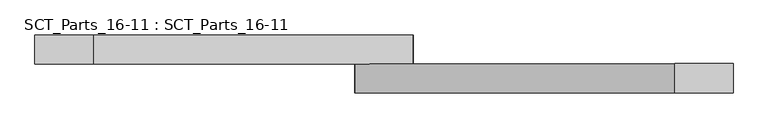
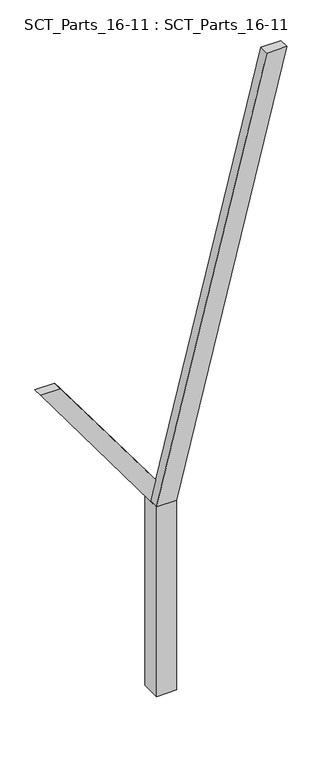
"""IFC4 building model written with IfcOpenShell, lengths in millimetres: proxy geometry, SCT_Parts_16-11 : SCT_Parts_16-11."""

from ifc_helpers import new_model, si_unit, frame, origin, origin_with_axes, place, context, project, spatial, polyline, outline, extrude, source, transform, mapped, element, save


def sct_parts_16_11_sct_parts_16_11_53d9384c(model_context):
    return source(origin(), model_context, "Body", "SweptSolid", [
        extrude(outline(polyline([(2000.0, 200.0), (6400.0, 1300.0), (6400.0, 1100.0), (2000.0, 0.0), (2000.0, 200.0)])), frame((0.0, -200.0, 0.0), z_axis=(0.0, 1.0, 0.0), x_axis=(0.0, 0.0, 1.0)), (0.0, 0.0, 1.0), 100.0),
        extrude(outline(polyline([(2000.0, 0.0), (2000.0, 200.0), (3500.0, -900.0), (3500.0, -1100.0), (2000.0, 0.0)])), frame((0.0, -100.0, 0.0), z_axis=(0.0, 1.0, 0.0), x_axis=(0.0, 0.0, 1.0)), (0.0, 0.0, 1.0), 100.0),
        extrude(outline(polyline([(200.0, -200.0), (0.0, -200.0), (0.0, 0.0), (200.0, 0.0), (200.0, -200.0)])), origin_with_axes(), (0.0, 0.0, 1.0), 2000.0),
    ])


if __name__ == "__main__":
    model = new_model("IFC4")
    model_context = context("Model", 3, world=origin())
    ifc_project = project(units=[si_unit("LENGTHUNIT", "METRE", prefix="MILLI")], contexts=[model_context])
    site = spatial("IfcSite", under=ifc_project)
    building = spatial("IfcBuilding", under=site)
    placement = place(None, origin())
    sct_parts_16_11_sct_parts_16_11_shape = sct_parts_16_11_sct_parts_16_11_53d9384c(model_context)
    element("IfcBuildingElementProxy", 1, Name="SCT_Parts_16-11 : SCT_Parts_16-11", ObjectType="SCT_Parts_16-11 : SCT_Parts_16-11", at=placement, inside=building, context=model_context, shape_type="MappedRepresentation", body=[
        mapped(sct_parts_16_11_sct_parts_16_11_shape, transform((0.0, 0.0, 0.0), x_axis=(1.0, 0.0, 0.0), y_axis=(0.0, 1.0, 0.0), z_axis=(0.0, 0.0, 1.0))),
    ])
    save(model, "model.ifc")
